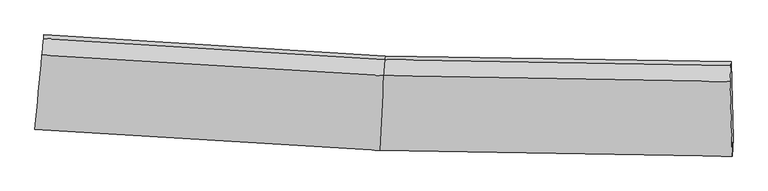
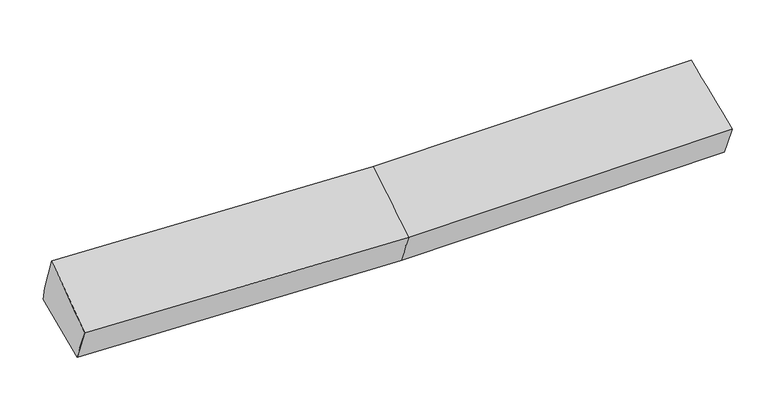
"""IFC4 building model written with IfcOpenShell, lengths in millimetres: proxy geometry."""

from ifc_helpers import new_model, si_unit, frame, origin, place, context, project, spatial, source, transform, mapped, element, save
from ifc_brep_helpers import plane_surface, spline_surface, advanced_brep


def generic_models_d3d84bb5(model_context):
    return source(origin(), model_context, "Body", "AdvancedBrep", [
        advanced_brep(
        [(-3263.4941541, -1960.2255658, 2029.3646265), (-3247.6914214, -1800.3847534, 1659.4923697), (-40.4796643, -1994.6298019, 1705.9307434), (-53.149798, -2155.0540657, 2055.2103121), (-3179.54834, -1077.8956408, 1827.9886684), (-2.5531717, -1274.7592141, 1873.1070517), (-3183.0064759, -1111.6454134, 1974.1016184), (-6.0113076, -1308.5089867, 2019.2200016), (-3198.5038436, -1267.8830609, 2364.1214604), (-18.4447146, -1460.4417447, 2389.7746603), (3216.2680046, -1362.6705092, 2077.8399977), (3208.6635535, -1514.6940408, 2448.4879787), (3230.1447922, -2210.3625383, 2115.0094632), (3237.010162, -2049.8291579, 1765.6177141), (3219.7261405, -1328.9207366, 1931.7270478)],
        [
            (0, 1),
            (1, 2),
            (2, 3),
            (3, 0),
            (1, 4),
            (4, 5),
            (5, 1),
            (4, 6),
            (6, 7),
            (7, 5),
            (6, 8),
            (8, 9),
            (9, 7),
            (8, 0),
            (3, 9),
            (10, 11),
            (11, 12),
            (12, 13),
            (13, 14),
            (14, 10),
            (5, 2),
            (9, 11),
            (10, 7),
            (3, 12),
            (2, 13),
            (5, 14),
        ],
        [
            spline_surface(1, 1, [[(-3263.4941541, -1960.2255658, 2029.3646265), (-53.149798, -2155.0540657, 2055.2103121)], [(-3247.6914214, -1800.3847534, 1659.4923697), (-40.4796643, -1994.6298019, 1705.9307434)]], [2, 2], [2, 2], [0.0, 1.0], [0.0, 1.0]),
            plane_surface(frame((-3213.6198807, -1439.1401971, 1743.7405191), z_axis=(0.027747700746889287, 0.22455133042521963, -0.974067125565546), x_axis=(0.09146722340610992, 0.9697840437333556, 0.22616952836878332))),
            plane_surface(frame((-3181.2774079, -1094.7705271, 1901.0451434), z_axis=(0.05704972154053291, 0.9724614915419995, 0.2259733983017858), x_axis=(-0.02305423902905395, -0.2249984836675468, 0.9740863331399819))),
            spline_surface(1, 1, [[(-3183.0064759, -1111.6454134, 1974.1016184), (-6.0113076, -1308.5089867, 2019.2200016)], [(-3198.5038436, -1267.8830609, 2364.1214604), (-18.4447146, -1460.4417447, 2389.7746603)]], [2, 2], [2, 2], [0.0, 1.0], [0.0, 1.0]),
            spline_surface(1, 1, [[(-3198.5038436, -1267.8830609, 2364.1214604), (-18.4447146, -1460.4417447, 2389.7746603)], [(-3263.4941541, -1960.2255658, 2029.3646265), (-53.149798, -2155.0540657, 2055.2103121)]], [2, 2], [2, 2], [0.0, 1.0], [0.0, 1.0]),
            plane_surface(frame((3222.3625306, -1693.2953965, 2067.7364403), z_axis=(0.9994613362304315, 0.0175764930275518, 0.027714694177149488), x_axis=(-0.018978601037439626, -0.3794085728803502, 0.9250345655852855))),
            plane_surface(frame((-3214.448847, -1443.6068869, 1971.0137487), z_axis=(-0.9955411840326682, 0.09431113861826164, -0.0017776465791052992), x_axis=(0.08420977537794433, 0.8970876800514693, 0.4337538565023587))),
            plane_surface(frame((-3247.6914214, -1800.3847534, 1659.4923697), z_axis=(0.027714573418076018, 0.22473867742724016, -0.9740248607137855), x_axis=(0.051252017010434296, 0.9727980915604308, 0.22591393009008062))),
            spline_surface(1, 1, [[(-6.0113076, -1308.5089867, 2019.2200016), (3216.2680046, -1362.6705092, 2077.8399977)], [(-18.4447146, -1460.4417447, 2389.7746603), (3208.6635535, -1514.6940408, 2448.4879787)]], [2, 2], [2, 2], [0.0, 1.0], [0.0, 1.0]),
            spline_surface(1, 1, [[(-18.4447146, -1460.4417447, 2389.7746603), (3208.6635535, -1514.6940408, 2448.4879787)], [(-53.149798, -2155.0540657, 2055.2103121), (3230.1447922, -2210.3625383, 2115.0094632)]], [2, 2], [2, 2], [0.0, 1.0], [0.0, 1.0]),
            spline_surface(1, 1, [[(-53.149798, -2155.0540657, 2055.2103121), (3230.1447922, -2210.3625383, 2115.0094632)], [(-40.4796643, -1994.6298019, 1705.9307434), (3237.010162, -2049.8291579, 1765.6177141)]], [2, 2], [2, 2], [0.0, 1.0], [0.0, 1.0]),
            spline_surface(1, 1, [[(-40.4796643, -1994.6298019, 1705.9307434), (3237.010162, -2049.8291579, 1765.6177141)], [(-2.5531717, -1274.7592141, 1873.1070517), (3219.7261405, -1328.9207366, 1931.7270478)]], [2, 2], [2, 2], [0.0, 1.0], [0.0, 1.0]),
            plane_surface(frame((-4.2822397, -1291.6341004, 1946.1635267), z_axis=(0.012275939102794065, 0.9742081294956646, 0.22531715812095507), x_axis=(-0.02305423902887877, -0.2249984836676074, 0.9740863331399722))),
        ],
        [
            (0, [[1, 2, 3, 4]]),
            (1, [[5, 6, 7]]),
            (2, [[8, 9, 10, -6]]),
            (3, [[11, 12, 13, -9]]),
            (4, [[14, -4, 15, -12]]),
            (5, [[16, 17, 18, 19, 20]]),
            (6, [[-14, -11, -8, -5, -1]]),
            (7, [[21, -2, -7]]),
            (8, [[-13, 22, -16, 23]]),
            (9, [[-15, 24, -17, -22]]),
            (10, [[-3, 25, -18, -24]]),
            (11, [[-21, 26, -19, -25]]),
            (12, [[-10, -23, -20, -26]]),
        ],
    ),
    ])


if __name__ == "__main__":
    model = new_model("IFC4")
    model_context = context("Model", 3, world=origin())
    ifc_project = project(units=[si_unit("LENGTHUNIT", "METRE", prefix="MILLI")], contexts=[model_context])
    site = spatial("IfcSite", under=ifc_project)
    building = spatial("IfcBuilding", under=site)
    placement = place(None, origin())
    generic_models_shape = generic_models_d3d84bb5(model_context)
    element("IfcBuildingElementProxy", 1, Name="Generic Models", at=placement, inside=building, context=model_context, shape_type="MappedRepresentation", body=[
        mapped(generic_models_shape, transform((0.0, 0.0, 0.0), x_axis=(1.0, 0.0, 0.0), y_axis=(0.0, 1.0, 0.0), z_axis=(0.0, 0.0, 1.0))),
    ])
    save(model, "model.ifc")
